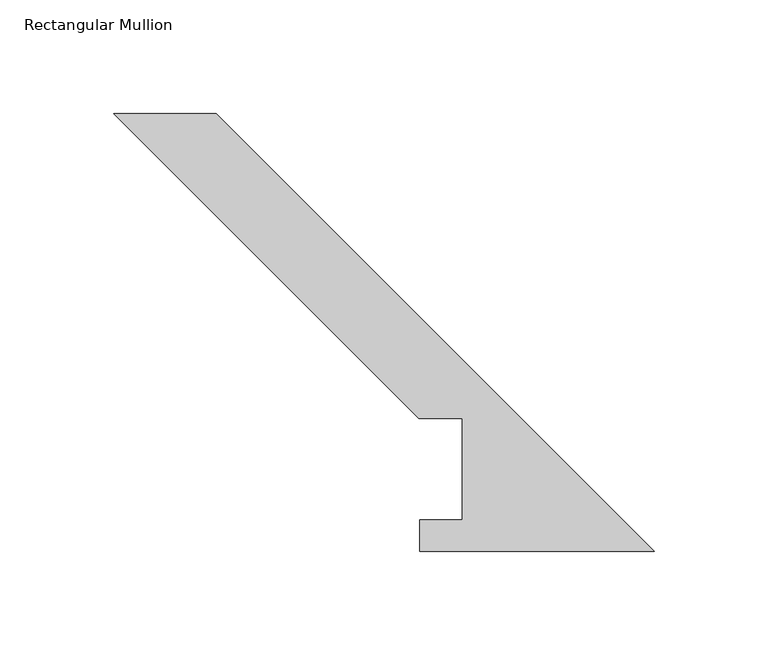
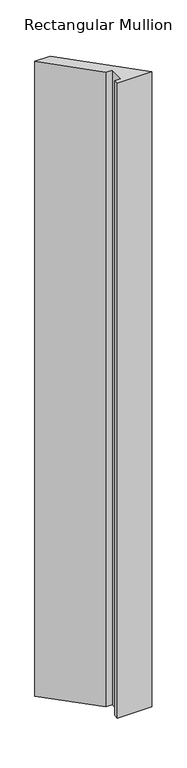
"""IFC4 building model written with IfcOpenShell, lengths in millimetres: member geometry, Rectangular Mullion."""

from ifc_helpers import new_model, si_unit, frame, origin, place, context, project, spatial, polyline, outline, extrude, source, transform, mapped, element, save


def rectangular_mullion_4d5dce9c(model_context):
    return source(origin(), model_context, "Body", "SweptSolid", [
        extrude(outline(polyline([(-236.9958475, 192.0807432), (-192.0945669, 192.0807432), (0.0, -0.0138237), (-102.8720048, -0.0138237), (-102.8720048, 13.890625), (-84.2057293, 13.890625), (-84.2057293, 58.340625), (-103.2557293, 58.340625), (-236.9958475, 192.0807432)])), frame((0.0, 0.0, -1993.9), z_axis=(0.0, 0.0, 1.0), x_axis=(1.0, 0.0, 0.0)), (0.0, 0.0, 1.0), 1993.9),
    ])


if __name__ == "__main__":
    model = new_model("IFC4")
    model_context = context("Model", 3, world=origin())
    ifc_project = project(units=[si_unit("LENGTHUNIT", "METRE", prefix="MILLI")], contexts=[model_context])
    site = spatial("IfcSite", under=ifc_project)
    building = spatial("IfcBuilding", under=site)
    placement = place(None, origin())
    rectangular_mullion_shape = rectangular_mullion_4d5dce9c(model_context)
    element("IfcMember", 1, ObjectType="Rectangular Mullion", at=placement, inside=building, context=model_context, shape_type="MappedRepresentation", body=[
        mapped(rectangular_mullion_shape, transform((0.0, 0.0, 0.0), x_axis=(1.0, 0.0, 0.0), y_axis=(0.0, 1.0, 0.0), z_axis=(0.0, 0.0, 1.0))),
    ])
    save(model, "model.ifc")
